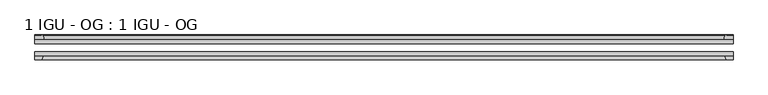
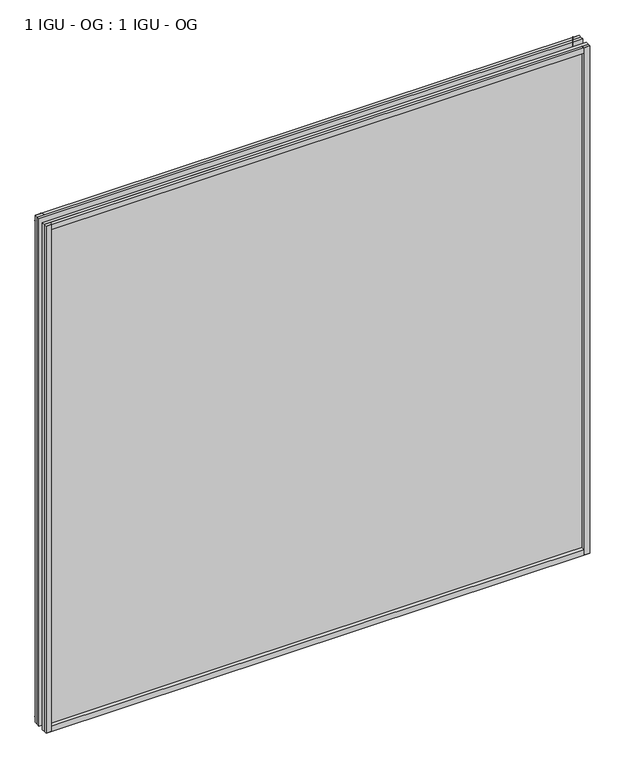
"""IFC4 building model written with IfcOpenShell, lengths in millimetres: plate geometry, 1 IGU - OG : 1 IGU - OG."""

from ifc_helpers import new_model, si_unit, point, frame, frame_2d, origin, place, context, project, spatial, polyline, circle_curve, trimmed, segment, composite_curve, outline, extrude, source, transform, mapped, element, save


def plate_1_igu_og_1_igu_og_a0f2b22c(model_context):
    return source(origin(), model_context, "Body", "SweptSolid", [
        extrude(outline(polyline([(577.8980842, -31.75), (577.8980842, -38.1), (-539.7980842, -38.1), (-539.7980842, -31.75), (577.8980842, -31.75)])), frame((0.0, 0.0, -11.1125), z_axis=(0.0, 0.0, 1.0), x_axis=(1.0, 0.0, 0.0)), (0.0, 0.0, 1.0), 1101.7245636),
        extrude(outline(polyline([(-539.7980842, -12.7), (577.8980842, -12.7), (577.8980842, -19.05), (-539.7980842, -19.05), (-539.7980842, -12.7)])), frame((0.0, 0.0, -11.1125), z_axis=(0.0, 0.0, 1.0), x_axis=(1.0, 0.0, 0.0)), (0.0, 0.0, 1.0), 1101.7245636),
        extrude(outline(composite_curve([segment(polyline([(-524.4622933, -12.7), (-539.7980842, -12.7), (-539.7980842, -6.35), (-528.6855842, -6.35), (-528.6855842, -4.7751661), (-527.7561703, -4.7751661)]), True, "CONTINUOUS"), segment(trimmed(circle_curve(frame_2d((-527.7561703, -5.5371661)), 0.762), [point((-527.7561703, -4.7751661))], [point((-527.0139603, -5.364631))], False, "CARTESIAN"), True, "CONTINUOUS"), segment(trimmed(circle_curve(frame_2d((-491.3847421, 2.9177851)), 36.5792237), [point((-527.0139603, -5.364631))], [point((-524.4622933, -12.7))], True, "CARTESIAN"), True, "CONTINUOUS")], self_intersect=False)), frame((0.0, 0.0, -11.1125), z_axis=(0.0, 0.0, 1.0), x_axis=(1.0, 0.0, 0.0)), (0.0, 0.0, 1.0), 1101.7245636),
        extrude(outline(polyline([(-539.7980842, -38.1), (-526.5803072, -38.1), (-528.6855842, -44.45), (-539.7980842, -44.45), (-539.7980842, -38.1)])), frame((0.0, 0.0, -11.1125), z_axis=(0.0, 0.0, 1.0), x_axis=(1.0, 0.0, 0.0)), (0.0, 0.0, 1.0), 1101.7245636),
        extrude(outline(composite_curve([segment(trimmed(circle_curve(frame_2d((565.8561703, -5.5371661)), 0.762), [point((565.1139603, -5.364631))], [point((565.8561703, -4.7751661))], False, "CARTESIAN"), True, "CONTINUOUS"), segment(polyline([(565.8561703, -4.7751661), (566.7855842, -4.7751661), (566.7855842, -6.35), (577.8980842, -6.35), (577.8980842, -12.7), (562.5622933, -12.7)]), True, "CONTINUOUS"), segment(trimmed(circle_curve(frame_2d((529.4847421, 2.9177851)), 36.5792237), [point((562.5622933, -12.7))], [point((565.1139603, -5.364631))], True, "CARTESIAN"), True, "CONTINUOUS")], self_intersect=False)), frame((0.0, 0.0, -11.1125), z_axis=(0.0, 0.0, 1.0), x_axis=(1.0, 0.0, 0.0)), (0.0, 0.0, 1.0), 1101.7245636),
        extrude(outline(polyline([(564.6803072, -38.1), (577.8980842, -38.1), (577.8980842, -44.45), (566.7855842, -44.45), (564.6803072, -38.1)])), frame((0.0, 0.0, -11.1125), z_axis=(0.0, 0.0, 1.0), x_axis=(1.0, 0.0, 0.0)), (0.0, 0.0, 1.0), 1101.7245636),
        extrude(outline(composite_curve([segment(polyline([(-12.7, -11.1125), (-12.7, 4.2232909)]), True, "CONTINUOUS"), segment(trimmed(circle_curve(frame_2d((2.9177851, 37.3008421)), 36.5792237), [point((-12.7, 4.2232909))], [point((-5.364631, 1.6716239))], True, "CARTESIAN"), True, "CONTINUOUS"), segment(trimmed(circle_curve(frame_2d((-5.5371661, 0.929414)), 0.762), [point((-5.364631, 1.6716239))], [point((-4.7751661, 0.929414))], False, "CARTESIAN"), True, "CONTINUOUS"), segment(polyline([(-4.7751661, 0.929414), (-4.7751661, 0.0), (-6.35, 0.0), (-6.35, -11.1125), (-12.7, -11.1125)]), True, "CONTINUOUS")], self_intersect=False)), frame((-539.7980842, 0.0, 0.0), z_axis=(1.0, 0.0, 0.0), x_axis=(0.0, 1.0, 0.0)), (0.0, 0.0, 1.0), 1117.6961685),
        extrude(outline(polyline([(-38.1, 2.1052771), (-38.1, -11.1125), (-44.45, -11.1125), (-44.45, 0.0), (-38.1, 2.1052771)])), frame((-539.7980842, 0.0, 0.0), z_axis=(1.0, 0.0, 0.0), x_axis=(0.0, 1.0, 0.0)), (0.0, 0.0, 1.0), 1117.6961685),
        extrude(outline(composite_curve([segment(trimmed(circle_curve(frame_2d((2.9177851, 1042.1987214)), 36.5792237), [point((-5.364631, 1077.8279397))], [point((-12.7, 1075.2762727))], True, "CARTESIAN"), True, "CONTINUOUS"), segment(polyline([(-12.7, 1075.2762727), (-12.7, 1090.6120636), (-6.35, 1090.6120636), (-6.35, 1079.4995636), (-4.7751661, 1079.4995636), (-4.7751661, 1078.5701496)]), True, "CONTINUOUS"), segment(trimmed(circle_curve(frame_2d((-5.5371661, 1078.5701496)), 0.762), [point((-4.7751661, 1078.5701496))], [point((-5.364631, 1077.8279397))], False, "CARTESIAN"), True, "CONTINUOUS")], self_intersect=False)), frame((-539.7980842, 0.0, 0.0), z_axis=(1.0, 0.0, 0.0), x_axis=(0.0, 1.0, 0.0)), (0.0, 0.0, 1.0), 1117.6961685),
        extrude(outline(polyline([(-38.1, 1090.6120636), (-38.1, 1077.3942865), (-44.45, 1079.4995636), (-44.45, 1090.6120636), (-38.1, 1090.6120636)])), frame((-539.7980842, 0.0, 0.0), z_axis=(1.0, 0.0, 0.0), x_axis=(0.0, 1.0, 0.0)), (0.0, 0.0, 1.0), 1117.6961685),
    ])


if __name__ == "__main__":
    model = new_model("IFC4")
    model_context = context("Model", 3, world=origin())
    ifc_project = project(units=[si_unit("LENGTHUNIT", "METRE", prefix="MILLI")], contexts=[model_context])
    site = spatial("IfcSite", under=ifc_project)
    building = spatial("IfcBuilding", under=site)
    placement = place(None, origin())
    plate_1_igu_og_1_igu_og_shape = plate_1_igu_og_1_igu_og_a0f2b22c(model_context)
    element("IfcPlate", 1, ObjectType="1 IGU - OG : 1 IGU - OG", at=placement, inside=building, context=model_context, shape_type="MappedRepresentation", body=[
        mapped(plate_1_igu_og_1_igu_og_shape, transform((0.0, 0.0, 0.0), x_axis=(1.0, 0.0, 0.0), y_axis=(0.0, 1.0, 0.0), z_axis=(0.0, 0.0, 1.0))),
    ])
    save(model, "model.ifc")
